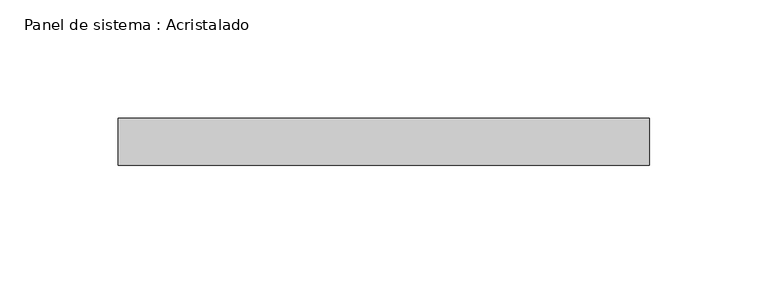
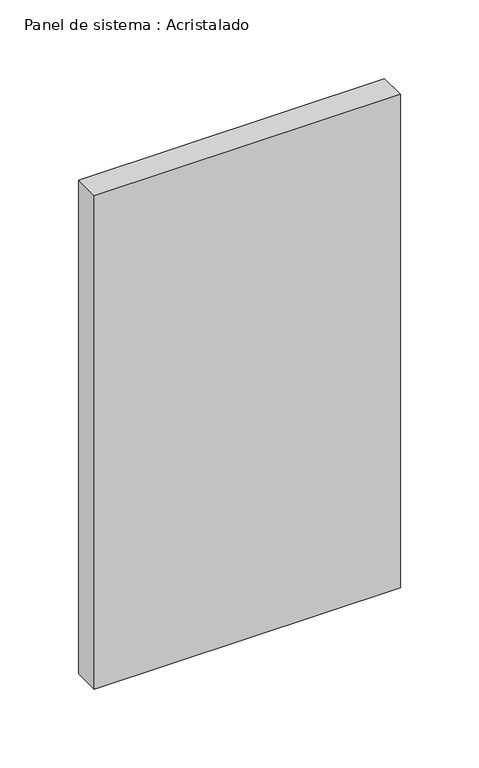
"""IFC4 building model written with IfcOpenShell, lengths in millimetres: plate geometry, Panel de sistema : Acristalado."""

from ifc_helpers import new_model, si_unit, origin, origin_with_axes, place, context, project, spatial, polyline, outline, extrude, source, transform, mapped, element, save


def panel_de_sistema_acristalado_a2483492(model_context):
    return source(origin(), model_context, "Body", "SweptSolid", [
        extrude(outline(polyline([(112.5, -10.0), (-112.5, -10.0), (-112.5, 10.0), (112.5, 10.0), (112.5, -10.0)])), origin_with_axes(), (0.0, 0.0, 1.0), 383.3333333),
    ])


if __name__ == "__main__":
    model = new_model("IFC4")
    model_context = context("Model", 3, world=origin())
    ifc_project = project(units=[si_unit("LENGTHUNIT", "METRE", prefix="MILLI")], contexts=[model_context])
    site = spatial("IfcSite", under=ifc_project)
    building = spatial("IfcBuilding", under=site)
    placement = place(None, origin())
    panel_de_sistema_acristalado_shape = panel_de_sistema_acristalado_a2483492(model_context)
    element("IfcPlate", 1, ObjectType="Panel de sistema : Acristalado", at=placement, inside=building, context=model_context, shape_type="MappedRepresentation", body=[
        mapped(panel_de_sistema_acristalado_shape, transform((0.0, 0.0, 0.0), x_axis=(1.0, 0.0, 0.0), y_axis=(0.0, 1.0, 0.0), z_axis=(0.0, 0.0, 1.0))),
    ])
    save(model, "model.ifc")
